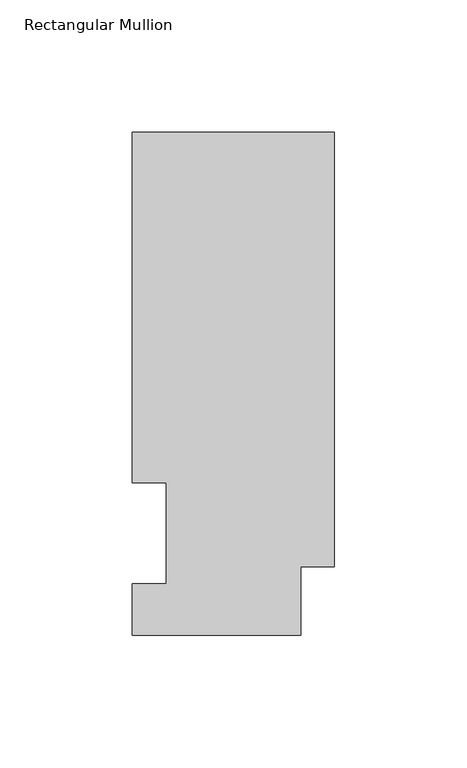
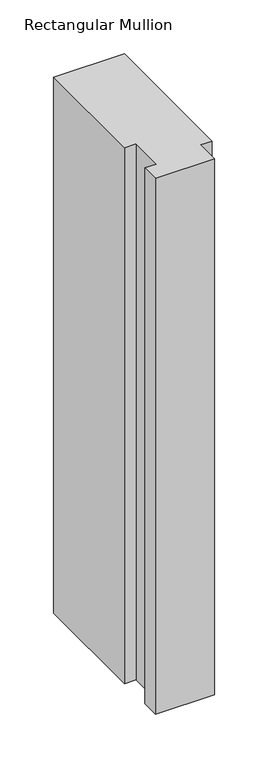
"""IFC4 building model written with IfcOpenShell, lengths in millimetres: member geometry, Rectangular Mullion."""

from ifc_helpers import new_model, si_unit, frame, origin, place, context, project, spatial, polyline, outline, extrude, source, transform, mapped, element, save


def rectangular_mullion_e038c7eb(model_context):
    return source(origin(), model_context, "Body", "SweptSolid", [
        extrude(outline(polyline([(0.0, 189.8022938), (0.0, 25.8955957), (-12.7, 25.8955957), (-12.7, 0.0134938), (-76.2, 0.0134938), (-76.2, 19.5460938), (-63.5, 19.5460938), (-63.5, 57.6460937), (-76.2, 57.6460937), (-76.2, 189.8022938), (0.0, 189.8022938)])), frame((0.0, 0.0, -609.56825), z_axis=(0.0, 0.0, 1.0), x_axis=(1.0, 0.0, 0.0)), (0.0, 0.0, 1.0), 609.56825),
    ])


if __name__ == "__main__":
    model = new_model("IFC4")
    model_context = context("Model", 3, world=origin())
    ifc_project = project(units=[si_unit("LENGTHUNIT", "METRE", prefix="MILLI")], contexts=[model_context])
    site = spatial("IfcSite", under=ifc_project)
    building = spatial("IfcBuilding", under=site)
    placement = place(None, origin())
    rectangular_mullion_shape = rectangular_mullion_e038c7eb(model_context)
    element("IfcMember", 1, ObjectType="Rectangular Mullion", at=placement, inside=building, context=model_context, shape_type="MappedRepresentation", body=[
        mapped(rectangular_mullion_shape, transform((0.0, 0.0, 0.0), x_axis=(1.0, 0.0, 0.0), y_axis=(0.0, 1.0, 0.0), z_axis=(0.0, 0.0, 1.0))),
    ])
    save(model, "model.ifc")
